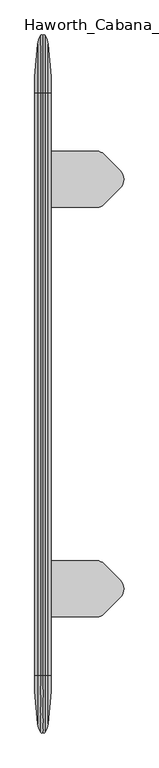
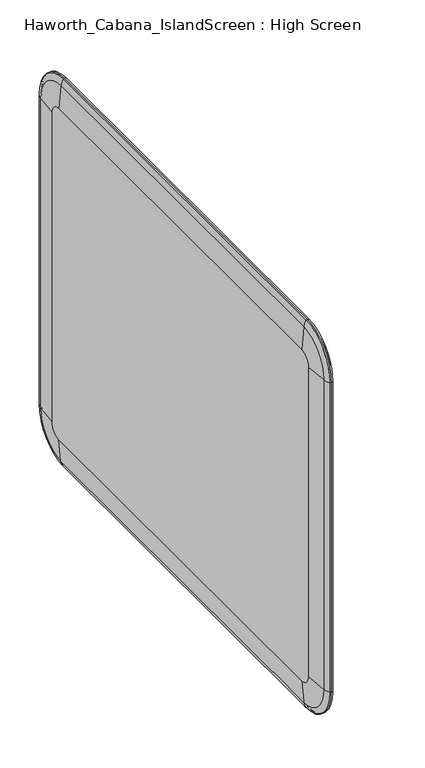
"""IFC4 building model written with IfcOpenShell, lengths in millimetres: furniture geometry, Haworth_Cabana_IslandScreen : High Screen."""

from ifc_helpers import new_model, si_unit, point, frame, frame_2d, origin, place, context, project, spatial, polyline, circle_curve, ellipse_curve, trimmed, segment, composite_curve, outline, extrude, source, transform, mapped, element, save
from ifc_brep_helpers import plane_surface, cylinder_surface, revolved_surface, advanced_brep


def haworth_cabana_islandscreen_high_screen_97b35205(model_context):
    return source(origin(), model_context, "Body", "SolidModel", [
        extrude(outline(composite_curve([segment(polyline([(406.3007813, 779.0924527), (406.3007813, 889.0924245), (512.8600267, 889.0924245)]), True, "CONTINUOUS"), segment(trimmed(circle_curve(frame_2d((512.8600267, 870.0424245)), 19.05), [point((512.8600267, 889.0924245))], [point((526.3304183, 883.5128013))], False, "CARTESIAN"), True, "CONTINUOUS"), segment(polyline([(526.3304183, 883.5128013), (558.9128097, 850.9303744)]), True, "CONTINUOUS"), segment(trimmed(circle_curve(frame_2d((542.0748202, 834.0924033)), 23.8125), [point((558.9128097, 850.9303744))], [point((558.9127913, 817.2544139))], False, "CARTESIAN"), True, "CONTINUOUS"), segment(polyline([(558.9127913, 817.2544139), (526.330403, 784.6720612)]), True, "CONTINUOUS"), segment(trimmed(circle_curve(frame_2d((512.8600261, 798.1424527)), 19.05), [point((526.330403, 784.6720612))], [point((512.8600261, 779.0924527))], False, "CARTESIAN"), True, "CONTINUOUS"), segment(polyline([(512.8600261, 779.0924527), (406.3007813, 779.0924527)]), True, "CONTINUOUS")], self_intersect=False)), frame((0.0, 0.0, 247.6767607), z_axis=(0.0, 0.0, 1.0), x_axis=(1.0, 0.0, 0.0)), (0.0, 0.0, 1.0), 4.5499948),
        extrude(outline(composite_curve([segment(polyline([(406.3007813, 84.5075473), (512.8600261, 84.5075473)]), True, "CONTINUOUS"), segment(trimmed(circle_curve(frame_2d((512.8600261, 65.4575473)), 19.05), [point((512.8600261, 84.5075473))], [point((526.330403, 78.9279388))], False, "CARTESIAN"), True, "CONTINUOUS"), segment(polyline([(526.330403, 78.9279388), (558.9127913, 46.3455861)]), True, "CONTINUOUS"), segment(trimmed(circle_curve(frame_2d((542.0748202, 29.5075967)), 23.8125), [point((558.9127913, 46.3455861))], [point((558.9128097, 12.6696256))], False, "CARTESIAN"), True, "CONTINUOUS"), segment(polyline([(558.9128097, 12.6696256), (526.3304183, -19.9128013)]), True, "CONTINUOUS"), segment(trimmed(circle_curve(frame_2d((512.8600267, -6.4424245)), 19.05), [point((526.3304183, -19.9128013))], [point((512.8600267, -25.4924245))], False, "CARTESIAN"), True, "CONTINUOUS"), segment(polyline([(512.8600267, -25.4924245), (406.3007813, -25.4924245), (406.3007813, 84.5075473)]), True, "CONTINUOUS")], self_intersect=False)), frame((0.0, 0.0, 247.6767607), z_axis=(0.0, 0.0, 1.0), x_axis=(1.0, 0.0, 0.0)), (0.0, 0.0, 1.0), 4.5499948),
        advanced_brep(
        [(422.2032436, -140.49375, 321.8309887), (422.2032436, 1004.09375, 321.8309887), (422.2032436, 1035.4815113, 353.21875), (422.2032436, 1035.4815113, 1243.80625), (422.2032436, 1004.09375, 1275.1940113), (422.2032436, -140.49375, 1275.1940113), (422.2032436, -171.8815113, 1243.80625), (422.2032436, -171.8815113, 353.21875), (390.3983189, 1004.09375, 321.8309887), (390.3983189, -140.49375, 321.8309887), (390.3983189, -171.8815113, 353.21875), (390.3983189, -171.8815113, 1243.80625), (390.3983189, -140.49375, 1275.1940113), (390.3983189, 1004.09375, 1275.1940113), (390.3983189, 1035.4815113, 1243.80625), (390.3983189, 1035.4815113, 353.21875), (395.8208236, -140.49375, 258.0828687), (395.8208236, 1004.09375, 258.0828687), (402.2147454, 1004.09375, 240.8241155), (402.2147454, -140.49375, 240.8241155), (406.3007813, 1004.09375, 241.205612), (406.3007813, -140.49375, 241.205612), (410.3868171, 1004.09375, 240.8241156), (410.3868171, -140.49375, 240.8241156), (416.7807379, 1004.09375, 258.0828662), (416.7807379, -140.49375, 258.0828662), (395.8208236, -235.6296313, 1243.80625), (395.8208236, -235.6296313, 353.21875), (402.2147454, -252.8883845, 353.21875), (402.2147454, -252.8883845, 1243.80625), (406.3007813, -252.506888, 353.21875), (406.3007813, -252.506888, 1243.80625), (410.3868171, -252.8883844, 353.21875), (410.3868171, -252.8883844, 1243.80625), (416.7807379, -235.6296338, 353.21875), (416.7807379, -235.6296338, 1243.80625), (395.8208236, 1099.2296313, 353.21875), (402.2147454, 1116.4883845, 353.21875), (406.3007813, 1116.106888, 353.21875), (410.3868171, 1116.4883844, 353.21875), (416.7807379, 1099.2296338, 353.21875), (395.8208236, 1099.2296313, 1243.80625), (402.2147454, 1116.4883845, 1243.80625), (406.3007813, 1116.106888, 1243.80625), (410.3868171, 1116.4883844, 1243.80625), (416.7807379, 1099.2296338, 1243.80625), (395.8208236, 1004.09375, 1338.9421313), (402.2147454, 1004.09375, 1356.2008845), (406.3007813, 1004.09375, 1355.819388), (410.3868171, 1004.09375, 1356.2008844), (416.7807379, 1004.09375, 1338.9421338), (395.8208236, -140.49375, 1338.9421313), (402.2147454, -140.49375, 1356.2008845), (406.3007813, -140.49375, 1355.819388), (410.3868171, -140.49375, 1356.2008844), (416.7807379, -140.49375, 1338.9421338)],
        [
            (0, 1),
            (1, 2, circle_curve(frame((422.2032436, 1004.09375, 353.21875), z_axis=(1.0, 0.0, 0.0), x_axis=(0.0, 0.0, -1.0)), 31.3877613)),
            (2, 3),
            (3, 4, circle_curve(frame((422.2032436, 1004.09375, 1243.80625), z_axis=(1.0, 0.0, 0.0), x_axis=(0.0, 1.0, 0.0)), 31.3877613)),
            (4, 5),
            (5, 6, circle_curve(frame((422.2032436, -140.49375, 1243.80625), z_axis=(1.0, 0.0, 0.0), x_axis=(0.0, 0.0, 1.0)), 31.3877613)),
            (6, 7),
            (7, 0, circle_curve(frame((422.2032436, -140.49375, 353.21875), z_axis=(1.0, 0.0, 0.0), x_axis=(0.0, -1.0, 0.0)), 31.3877613)),
            (8, 9),
            (9, 10, circle_curve(frame((390.3983189, -140.49375, 353.21875), z_axis=(-1.0, 0.0, 0.0), x_axis=(0.0, -1.0, 0.0)), 31.3877613)),
            (10, 11),
            (11, 12, circle_curve(frame((390.3983189, -140.49375, 1243.80625), z_axis=(-1.0, 0.0, 0.0), x_axis=(0.0, 0.0, 1.0)), 31.3877613)),
            (12, 13),
            (13, 14, circle_curve(frame((390.3983189, 1004.09375, 1243.80625), z_axis=(-1.0, 0.0, 0.0), x_axis=(0.0, 1.0, 0.0)), 31.3877613)),
            (14, 15),
            (15, 8, circle_curve(frame((390.3983189, 1004.09375, 353.21875), z_axis=(-1.0, 0.0, 0.0), x_axis=(0.0, 0.0, -1.0)), 31.3877613)),
            (16, 9, circle_curve(frame((767.8278137, -140.49375, 321.8309887), z_axis=(0.0, 1.0, 0.0), x_axis=(1.0, 0.0, 0.0)), 377.4294948)),
            (8, 17, circle_curve(frame((767.8278137, 1004.09375, 321.8309887), z_axis=(0.0, -1.0, 0.0), x_axis=(1.0, 0.0, 0.0)), 377.4294948)),
            (17, 16),
            (17, 18, circle_curve(frame((445.1086371, 1004.09375, 266.5289612), z_axis=(0.0, -1.0, 0.0), x_axis=(1.0, 0.0, 0.0)), 50.00625)),
            (18, 19),
            (19, 16, circle_curve(frame((445.1086371, -140.49375, 266.5289612), z_axis=(0.0, 1.0, 0.0), x_axis=(1.0, 0.0, 0.0)), 50.00625)),
            (18, 20, circle_curve(frame((404.1663769, 1004.09375, 241.9936617), z_axis=(0.0, -1.0, 0.0), x_axis=(1.0, 0.0, 0.0)), 2.2752371)),
            (20, 21),
            (21, 19, circle_curve(frame((404.1663769, -140.49375, 241.9936617), z_axis=(0.0, 1.0, 0.0), x_axis=(1.0, 0.0, 0.0)), 2.2752371)),
            (20, 22, circle_curve(frame((408.4351856, 1004.09375, 241.9936617), z_axis=(0.0, -1.0, 0.0), x_axis=(1.0, 0.0, 0.0)), 2.2752371)),
            (22, 23),
            (23, 21, circle_curve(frame((408.4351856, -140.49375, 241.9936617), z_axis=(0.0, 1.0, 0.0), x_axis=(1.0, 0.0, 0.0)), 2.2752371)),
            (22, 24, circle_curve(frame((367.4929246, 1004.09375, 266.5289599), z_axis=(0.0, -1.0, 0.0), x_axis=(1.0, 0.0, 0.0)), 50.00625)),
            (24, 25),
            (25, 23, circle_curve(frame((367.4929246, -140.49375, 266.5289599), z_axis=(0.0, 1.0, 0.0), x_axis=(1.0, 0.0, 0.0)), 50.00625)),
            (24, 1, circle_curve(frame((44.7737879, 1004.09375, 321.8309887), z_axis=(0.0, -1.0, 0.0), x_axis=(1.0, 0.0, 0.0)), 377.4294557)),
            (0, 25, circle_curve(frame((44.7737879, -140.49375, 321.8309887), z_axis=(0.0, 1.0, 0.0), x_axis=(1.0, 0.0, 0.0)), 377.4294557)),
            (26, 11, circle_curve(frame((767.8278137, -171.8815113, 1243.80625), z_axis=(0.0, 0.0, -1.0), x_axis=(1.0, 0.0, 0.0)), 377.4294948)),
            (10, 27, circle_curve(frame((767.8278137, -171.8815113, 353.21875), z_axis=(0.0, 0.0, 1.0), x_axis=(1.0, 0.0, 0.0)), 377.4294948)),
            (27, 26),
            (27, 28, circle_curve(frame((445.1086371, -227.1835388, 353.21875), z_axis=(0.0, 0.0, 1.0), x_axis=(1.0, 0.0, 0.0)), 50.00625)),
            (28, 29),
            (29, 26, circle_curve(frame((445.1086371, -227.1835388, 1243.80625), z_axis=(0.0, 0.0, -1.0), x_axis=(1.0, 0.0, 0.0)), 50.00625)),
            (28, 30, circle_curve(frame((404.1663769, -251.7188383, 353.21875), z_axis=(0.0, 0.0, 1.0), x_axis=(1.0, 0.0, 0.0)), 2.2752371)),
            (30, 31),
            (31, 29, circle_curve(frame((404.1663769, -251.7188383, 1243.80625), z_axis=(0.0, 0.0, -1.0), x_axis=(1.0, 0.0, 0.0)), 2.2752371)),
            (30, 32, circle_curve(frame((408.4351856, -251.7188383, 353.21875), z_axis=(0.0, 0.0, 1.0), x_axis=(1.0, 0.0, 0.0)), 2.2752371)),
            (32, 33),
            (33, 31, circle_curve(frame((408.4351856, -251.7188383, 1243.80625), z_axis=(0.0, 0.0, -1.0), x_axis=(1.0, 0.0, 0.0)), 2.2752371)),
            (32, 34, circle_curve(frame((367.4929246, -227.1835401, 353.21875), z_axis=(0.0, 0.0, 1.0), x_axis=(1.0, 0.0, 0.0)), 50.00625)),
            (34, 35),
            (35, 33, circle_curve(frame((367.4929246, -227.1835401, 1243.80625), z_axis=(0.0, 0.0, -1.0), x_axis=(1.0, 0.0, 0.0)), 50.00625)),
            (34, 7, circle_curve(frame((44.7737879, -171.8815113, 353.21875), z_axis=(0.0, 0.0, 1.0), x_axis=(1.0, 0.0, 0.0)), 377.4294557)),
            (6, 35, circle_curve(frame((44.7737879, -171.8815113, 1243.80625), z_axis=(0.0, 0.0, -1.0), x_axis=(1.0, 0.0, 0.0)), 377.4294557)),
            (16, 27, circle_curve(frame((395.8208236, -140.49375, 353.21875), z_axis=(-1.0, 0.0, 0.0), x_axis=(0.0, -1.0, 0.0)), 95.1358813)),
            (19, 28, circle_curve(frame((402.2147454, -140.49375, 353.21875), z_axis=(-1.0, 0.0, 0.0), x_axis=(0.0, -1.0, 0.0)), 112.3946345)),
            (21, 30, circle_curve(frame((406.3007813, -140.49375, 353.21875), z_axis=(-1.0, 0.0, 0.0), x_axis=(0.0, -1.0, 0.0)), 112.013138)),
            (23, 32, circle_curve(frame((410.3868171, -140.49375, 353.21875), z_axis=(-1.0, 0.0, 0.0), x_axis=(0.0, -1.0, 0.0)), 112.3946344)),
            (25, 34, circle_curve(frame((416.7807379, -140.49375, 353.21875), z_axis=(-1.0, 0.0, 0.0), x_axis=(0.0, -1.0, 0.0)), 95.1358838)),
            (15, 36, circle_curve(frame((767.8278137, 1035.4815113, 353.21875), z_axis=(0.0, 0.0, -1.0), x_axis=(1.0, 0.0, 0.0)), 377.4294948)),
            (36, 17, circle_curve(frame((395.8208236, 1004.09375, 353.21875), z_axis=(-1.0, 0.0, 0.0), x_axis=(0.0, 0.0, -1.0)), 95.1358813)),
            (36, 37, circle_curve(frame((445.1086371, 1090.7835388, 353.21875), z_axis=(0.0, 0.0, -1.0), x_axis=(1.0, 0.0, 0.0)), 50.00625)),
            (37, 18, circle_curve(frame((402.2147454, 1004.09375, 353.21875), z_axis=(-1.0, 0.0, 0.0), x_axis=(0.0, 0.0, -1.0)), 112.3946345)),
            (37, 38, circle_curve(frame((404.1663769, 1115.3188383, 353.21875), z_axis=(0.0, 0.0, -1.0), x_axis=(1.0, 0.0, 0.0)), 2.2752371)),
            (38, 20, circle_curve(frame((406.3007813, 1004.09375, 353.21875), z_axis=(-1.0, 0.0, 0.0), x_axis=(0.0, 0.0, -1.0)), 112.013138)),
            (38, 39, circle_curve(frame((408.4351856, 1115.3188383, 353.21875), z_axis=(0.0, 0.0, -1.0), x_axis=(1.0, 0.0, 0.0)), 2.2752371)),
            (39, 22, circle_curve(frame((410.3868171, 1004.09375, 353.21875), z_axis=(-1.0, 0.0, 0.0), x_axis=(0.0, 0.0, -1.0)), 112.3946344)),
            (39, 40, circle_curve(frame((367.4929246, 1090.7835401, 353.21875), z_axis=(0.0, 0.0, -1.0), x_axis=(1.0, 0.0, 0.0)), 50.00625)),
            (40, 24, circle_curve(frame((416.7807379, 1004.09375, 353.21875), z_axis=(-1.0, 0.0, 0.0), x_axis=(0.0, 0.0, -1.0)), 95.1358838)),
            (40, 2, circle_curve(frame((44.7737879, 1035.4815113, 353.21875), z_axis=(0.0, 0.0, -1.0), x_axis=(1.0, 0.0, 0.0)), 377.4294557)),
            (14, 41, circle_curve(frame((767.8278137, 1035.4815113, 1243.80625), z_axis=(0.0, 0.0, -1.0), x_axis=(1.0, 0.0, 0.0)), 377.4294948)),
            (41, 36),
            (41, 42, circle_curve(frame((445.1086371, 1090.7835388, 1243.80625), z_axis=(0.0, 0.0, -1.0), x_axis=(1.0, 0.0, 0.0)), 50.00625)),
            (42, 37),
            (42, 43, circle_curve(frame((404.1663769, 1115.3188383, 1243.80625), z_axis=(0.0, 0.0, -1.0), x_axis=(1.0, 0.0, 0.0)), 2.2752371)),
            (43, 38),
            (43, 44, circle_curve(frame((408.4351856, 1115.3188383, 1243.80625), z_axis=(0.0, 0.0, -1.0), x_axis=(1.0, 0.0, 0.0)), 2.2752371)),
            (44, 39),
            (44, 45, circle_curve(frame((367.4929246, 1090.7835401, 1243.80625), z_axis=(0.0, 0.0, -1.0), x_axis=(1.0, 0.0, 0.0)), 50.00625)),
            (45, 40),
            (45, 3, circle_curve(frame((44.7737879, 1035.4815113, 1243.80625), z_axis=(0.0, 0.0, -1.0), x_axis=(1.0, 0.0, 0.0)), 377.4294557)),
            (13, 46, circle_curve(frame((767.8278137, 1004.09375, 1275.1940113), z_axis=(0.0, 1.0, 0.0), x_axis=(1.0, 0.0, 0.0)), 377.4294948)),
            (46, 41, circle_curve(frame((395.8208236, 1004.09375, 1243.80625), z_axis=(-1.0, 0.0, 0.0), x_axis=(0.0, 1.0, 0.0)), 95.1358813)),
            (46, 47, circle_curve(frame((445.1086371, 1004.09375, 1330.4960388), z_axis=(0.0, 1.0, 0.0), x_axis=(1.0, 0.0, 0.0)), 50.00625)),
            (47, 42, circle_curve(frame((402.2147454, 1004.09375, 1243.80625), z_axis=(-1.0, 0.0, 0.0), x_axis=(0.0, 1.0, 0.0)), 112.3946345)),
            (47, 48, circle_curve(frame((404.1663769, 1004.09375, 1355.0313383), z_axis=(0.0, 1.0, 0.0), x_axis=(1.0, 0.0, 0.0)), 2.2752371)),
            (48, 43, circle_curve(frame((406.3007813, 1004.09375, 1243.80625), z_axis=(-1.0, 0.0, 0.0), x_axis=(0.0, 1.0, 0.0)), 112.013138)),
            (48, 49, circle_curve(frame((408.4351856, 1004.09375, 1355.0313383), z_axis=(0.0, 1.0, 0.0), x_axis=(1.0, 0.0, 0.0)), 2.2752371)),
            (49, 44, circle_curve(frame((410.3868171, 1004.09375, 1243.80625), z_axis=(-1.0, 0.0, 0.0), x_axis=(0.0, 1.0, 0.0)), 112.3946344)),
            (49, 50, circle_curve(frame((367.4929246, 1004.09375, 1330.4960401), z_axis=(0.0, 1.0, 0.0), x_axis=(1.0, 0.0, 0.0)), 50.00625)),
            (50, 45, circle_curve(frame((416.7807379, 1004.09375, 1243.80625), z_axis=(-1.0, 0.0, 0.0), x_axis=(0.0, 1.0, 0.0)), 95.1358838)),
            (50, 4, circle_curve(frame((44.7737879, 1004.09375, 1275.1940113), z_axis=(0.0, 1.0, 0.0), x_axis=(1.0, 0.0, 0.0)), 377.4294557)),
            (12, 51, circle_curve(frame((767.8278137, -140.49375, 1275.1940113), z_axis=(0.0, 1.0, 0.0), x_axis=(1.0, 0.0, 0.0)), 377.4294948)),
            (51, 46),
            (51, 52, circle_curve(frame((445.1086371, -140.49375, 1330.4960388), z_axis=(0.0, 1.0, 0.0), x_axis=(1.0, 0.0, 0.0)), 50.00625)),
            (52, 47),
            (52, 53, circle_curve(frame((404.1663769, -140.49375, 1355.0313383), z_axis=(0.0, 1.0, 0.0), x_axis=(1.0, 0.0, 0.0)), 2.2752371)),
            (53, 48),
            (53, 54, circle_curve(frame((408.4351856, -140.49375, 1355.0313383), z_axis=(0.0, 1.0, 0.0), x_axis=(1.0, 0.0, 0.0)), 2.2752371)),
            (54, 49),
            (54, 55, circle_curve(frame((367.4929246, -140.49375, 1330.4960401), z_axis=(0.0, 1.0, 0.0), x_axis=(1.0, 0.0, 0.0)), 50.00625)),
            (55, 50),
            (55, 5, circle_curve(frame((44.7737879, -140.49375, 1275.1940113), z_axis=(0.0, 1.0, 0.0), x_axis=(1.0, 0.0, 0.0)), 377.4294557)),
            (26, 51, circle_curve(frame((395.8208236, -140.49375, 1243.80625), z_axis=(-1.0, 0.0, 0.0), x_axis=(0.0, 0.0, 1.0)), 95.1358813)),
            (29, 52, circle_curve(frame((402.2147454, -140.49375, 1243.80625), z_axis=(-1.0, 0.0, 0.0), x_axis=(0.0, 0.0, 1.0)), 112.3946345)),
            (31, 53, circle_curve(frame((406.3007813, -140.49375, 1243.80625), z_axis=(-1.0, 0.0, 0.0), x_axis=(0.0, 0.0, 1.0)), 112.013138)),
            (33, 54, circle_curve(frame((410.3868171, -140.49375, 1243.80625), z_axis=(-1.0, 0.0, 0.0), x_axis=(0.0, 0.0, 1.0)), 112.3946344)),
            (35, 55, circle_curve(frame((416.7807379, -140.49375, 1243.80625), z_axis=(-1.0, 0.0, 0.0), x_axis=(0.0, 0.0, 1.0)), 95.1358838)),
        ],
        [
            plane_surface(frame((422.2032436, 1029.49375, 353.21875), z_axis=(1.0, 0.0, 0.0), x_axis=(0.0, 0.0, 1.0))),
            plane_surface(frame((390.3983189, 1029.49375, 353.21875), z_axis=(-1.0, 0.0, 0.0), x_axis=(0.0, 0.0, -1.0))),
            cylinder_surface(frame((767.8278137, -140.49375, 321.8309887), z_axis=(0.0, -1.0, 0.0), x_axis=(1.0, 0.0, 0.0)), 377.4294948),
            cylinder_surface(frame((445.1086371, -140.49375, 266.5289612), z_axis=(0.0, -1.0, 0.0), x_axis=(1.0, 0.0, 0.0)), 50.00625),
            cylinder_surface(frame((404.1663769, -140.49375, 241.9936617), z_axis=(0.0, -1.0, 0.0), x_axis=(1.0, 0.0, 0.0)), 2.2752371),
            cylinder_surface(frame((408.4351856, -140.49375, 241.9936617), z_axis=(0.0, -1.0, 0.0), x_axis=(1.0, 0.0, 0.0)), 2.2752371),
            cylinder_surface(frame((367.4929246, -140.49375, 266.5289599), z_axis=(0.0, -1.0, 0.0), x_axis=(1.0, 0.0, 0.0)), 50.00625),
            cylinder_surface(frame((44.7737879, -140.49375, 321.8309887), z_axis=(0.0, -1.0, 0.0), x_axis=(1.0, 0.0, 0.0)), 377.4294557),
            cylinder_surface(frame((767.8278137, -171.8815113, 1243.80625), z_axis=(0.0, 0.0, 1.0), x_axis=(1.0, 0.0, 0.0)), 377.4294948),
            cylinder_surface(frame((445.1086371, -227.1835388, 1243.80625), z_axis=(0.0, 0.0, 1.0), x_axis=(1.0, 0.0, 0.0)), 50.00625),
            cylinder_surface(frame((404.1663769, -251.7188383, 1243.80625), z_axis=(0.0, 0.0, 1.0), x_axis=(1.0, 0.0, 0.0)), 2.2752371),
            cylinder_surface(frame((408.4351856, -251.7188383, 1243.80625), z_axis=(0.0, 0.0, 1.0), x_axis=(1.0, 0.0, 0.0)), 2.2752371),
            cylinder_surface(frame((367.4929246, -227.1835401, 1243.80625), z_axis=(0.0, 0.0, 1.0), x_axis=(1.0, 0.0, 0.0)), 50.00625),
            cylinder_surface(frame((44.7737879, -171.8815113, 1243.80625), z_axis=(0.0, 0.0, 1.0), x_axis=(1.0, 0.0, 0.0)), 377.4294557),
            revolved_surface(trimmed(ellipse_curve(frame((767.8278137, -171.8815113, 353.21875), z_axis=(0.0, 0.0, 1.0), x_axis=(1.0, 0.0, 0.0)), 377.4294948, 377.4294948), [point((390.3983189, -171.8815113, 353.21875))], [point((395.8208236, -235.6296313, 353.21875))], True, "CARTESIAN"), (422.2032436, -140.49375, 353.21875), (1.0, 0.0, 0.0)),
            revolved_surface(trimmed(ellipse_curve(frame((445.1086371, -227.1835388, 353.21875), z_axis=(0.0, 0.0, 1.0), x_axis=(1.0, 0.0, 0.0)), 50.00625, 50.00625), [point((395.8208236, -235.6296313, 353.21875))], [point((402.2147454, -252.8883845, 353.21875))], True, "CARTESIAN"), (422.2032436, -140.49375, 353.21875), (1.0, 0.0, 0.0)),
            revolved_surface(trimmed(ellipse_curve(frame((404.1663769, -251.7188383, 353.21875), z_axis=(0.0, 0.0, 1.0), x_axis=(1.0, 0.0, 0.0)), 2.2752371, 2.2752371), [point((402.2147454, -252.8883845, 353.21875))], [point((406.3007813, -252.506888, 353.21875))], True, "CARTESIAN"), (422.2032436, -140.49375, 353.21875), (1.0, 0.0, 0.0)),
            revolved_surface(trimmed(ellipse_curve(frame((408.4351856, -251.7188383, 353.21875), z_axis=(0.0, 0.0, 1.0), x_axis=(1.0, 0.0, 0.0)), 2.2752371, 2.2752371), [point((406.3007813, -252.506888, 353.21875))], [point((410.3868171, -252.8883844, 353.21875))], True, "CARTESIAN"), (422.2032436, -140.49375, 353.21875), (1.0, 0.0, 0.0)),
            revolved_surface(trimmed(ellipse_curve(frame((367.4929246, -227.1835401, 353.21875), z_axis=(0.0, 0.0, 1.0), x_axis=(1.0, 0.0, 0.0)), 50.00625, 50.00625), [point((410.3868171, -252.8883844, 353.21875))], [point((416.7807379, -235.6296338, 353.21875))], True, "CARTESIAN"), (422.2032436, -140.49375, 353.21875), (1.0, 0.0, 0.0)),
            revolved_surface(trimmed(ellipse_curve(frame((44.7737879, -171.8815113, 353.21875), z_axis=(0.0, 0.0, 1.0), x_axis=(1.0, 0.0, 0.0)), 377.4294557, 377.4294557), [point((416.7807379, -235.6296338, 353.21875))], [point((422.2032436, -171.8815113, 353.21875))], True, "CARTESIAN"), (422.2032436, -140.49375, 353.21875), (1.0, 0.0, 0.0)),
            revolved_surface(trimmed(ellipse_curve(frame((767.8278137, 1004.09375, 321.8309887), z_axis=(0.0, -1.0, 0.0), x_axis=(1.0, 0.0, 0.0)), 377.4294948, 377.4294948), [point((390.3983189, 1004.09375, 321.8309887))], [point((395.8208236, 1004.09375, 258.0828687))], True, "CARTESIAN"), (422.2032436, 1004.09375, 353.21875), (1.0, 0.0, 0.0)),
            revolved_surface(trimmed(ellipse_curve(frame((445.1086371, 1004.09375, 266.5289612), z_axis=(0.0, -1.0, 0.0), x_axis=(1.0, 0.0, 0.0)), 50.00625, 50.00625), [point((395.8208236, 1004.09375, 258.0828687))], [point((402.2147454, 1004.09375, 240.8241155))], True, "CARTESIAN"), (422.2032436, 1004.09375, 353.21875), (1.0, 0.0, 0.0)),
            revolved_surface(trimmed(ellipse_curve(frame((404.1663769, 1004.09375, 241.9936617), z_axis=(0.0, -1.0, 0.0), x_axis=(1.0, 0.0, 0.0)), 2.2752371, 2.2752371), [point((402.2147454, 1004.09375, 240.8241155))], [point((406.3007813, 1004.09375, 241.205612))], True, "CARTESIAN"), (422.2032436, 1004.09375, 353.21875), (1.0, 0.0, 0.0)),
            revolved_surface(trimmed(ellipse_curve(frame((408.4351856, 1004.09375, 241.9936617), z_axis=(0.0, -1.0, 0.0), x_axis=(1.0, 0.0, 0.0)), 2.2752371, 2.2752371), [point((406.3007813, 1004.09375, 241.205612))], [point((410.3868171, 1004.09375, 240.8241156))], True, "CARTESIAN"), (422.2032436, 1004.09375, 353.21875), (1.0, 0.0, 0.0)),
            revolved_surface(trimmed(ellipse_curve(frame((367.4929246, 1004.09375, 266.5289599), z_axis=(0.0, -1.0, 0.0), x_axis=(1.0, 0.0, 0.0)), 50.00625, 50.00625), [point((410.3868171, 1004.09375, 240.8241156))], [point((416.7807379, 1004.09375, 258.0828662))], True, "CARTESIAN"), (422.2032436, 1004.09375, 353.21875), (1.0, 0.0, 0.0)),
            revolved_surface(trimmed(ellipse_curve(frame((44.7737879, 1004.09375, 321.8309887), z_axis=(0.0, -1.0, 0.0), x_axis=(1.0, 0.0, 0.0)), 377.4294557, 377.4294557), [point((416.7807379, 1004.09375, 258.0828662))], [point((422.2032436, 1004.09375, 321.8309887))], True, "CARTESIAN"), (422.2032436, 1004.09375, 353.21875), (1.0, 0.0, 0.0)),
            cylinder_surface(frame((767.8278137, 1035.4815113, 353.21875), z_axis=(0.0, 0.0, -1.0), x_axis=(1.0, 0.0, 0.0)), 377.4294948),
            cylinder_surface(frame((445.1086371, 1090.7835388, 353.21875), z_axis=(0.0, 0.0, -1.0), x_axis=(1.0, 0.0, 0.0)), 50.00625),
            cylinder_surface(frame((404.1663769, 1115.3188383, 353.21875), z_axis=(0.0, 0.0, -1.0), x_axis=(1.0, 0.0, 0.0)), 2.2752371),
            cylinder_surface(frame((408.4351856, 1115.3188383, 353.21875), z_axis=(0.0, 0.0, -1.0), x_axis=(1.0, 0.0, 0.0)), 2.2752371),
            cylinder_surface(frame((367.4929246, 1090.7835401, 353.21875), z_axis=(0.0, 0.0, -1.0), x_axis=(1.0, 0.0, 0.0)), 50.00625),
            cylinder_surface(frame((44.7737879, 1035.4815113, 353.21875), z_axis=(0.0, 0.0, -1.0), x_axis=(1.0, 0.0, 0.0)), 377.4294557),
            revolved_surface(trimmed(ellipse_curve(frame((767.8278137, 1035.4815113, 1243.80625), z_axis=(0.0, 0.0, -1.0), x_axis=(1.0, 0.0, 0.0)), 377.4294948, 377.4294948), [point((390.3983189, 1035.4815113, 1243.80625))], [point((395.8208236, 1099.2296313, 1243.80625))], True, "CARTESIAN"), (422.2032436, 1004.09375, 1243.80625), (1.0, 0.0, 0.0)),
            revolved_surface(trimmed(ellipse_curve(frame((445.1086371, 1090.7835388, 1243.80625), z_axis=(0.0, 0.0, -1.0), x_axis=(1.0, 0.0, 0.0)), 50.00625, 50.00625), [point((395.8208236, 1099.2296313, 1243.80625))], [point((402.2147454, 1116.4883845, 1243.80625))], True, "CARTESIAN"), (422.2032436, 1004.09375, 1243.80625), (1.0, 0.0, 0.0)),
            revolved_surface(trimmed(ellipse_curve(frame((404.1663769, 1115.3188383, 1243.80625), z_axis=(0.0, 0.0, -1.0), x_axis=(1.0, 0.0, 0.0)), 2.2752371, 2.2752371), [point((402.2147454, 1116.4883845, 1243.80625))], [point((406.3007813, 1116.106888, 1243.80625))], True, "CARTESIAN"), (422.2032436, 1004.09375, 1243.80625), (1.0, 0.0, 0.0)),
            revolved_surface(trimmed(ellipse_curve(frame((408.4351856, 1115.3188383, 1243.80625), z_axis=(0.0, 0.0, -1.0), x_axis=(1.0, 0.0, 0.0)), 2.2752371, 2.2752371), [point((406.3007813, 1116.106888, 1243.80625))], [point((410.3868171, 1116.4883844, 1243.80625))], True, "CARTESIAN"), (422.2032436, 1004.09375, 1243.80625), (1.0, 0.0, 0.0)),
            revolved_surface(trimmed(ellipse_curve(frame((367.4929246, 1090.7835401, 1243.80625), z_axis=(0.0, 0.0, -1.0), x_axis=(1.0, 0.0, 0.0)), 50.00625, 50.00625), [point((410.3868171, 1116.4883844, 1243.80625))], [point((416.7807379, 1099.2296338, 1243.80625))], True, "CARTESIAN"), (422.2032436, 1004.09375, 1243.80625), (1.0, 0.0, 0.0)),
            revolved_surface(trimmed(ellipse_curve(frame((44.7737879, 1035.4815113, 1243.80625), z_axis=(0.0, 0.0, -1.0), x_axis=(1.0, 0.0, 0.0)), 377.4294557, 377.4294557), [point((416.7807379, 1099.2296338, 1243.80625))], [point((422.2032436, 1035.4815113, 1243.80625))], True, "CARTESIAN"), (422.2032436, 1004.09375, 1243.80625), (1.0, 0.0, 0.0)),
            cylinder_surface(frame((767.8278137, 1004.09375, 1275.1940113), z_axis=(0.0, 1.0, 0.0), x_axis=(1.0, 0.0, 0.0)), 377.4294948),
            cylinder_surface(frame((445.1086371, 1004.09375, 1330.4960388), z_axis=(0.0, 1.0, 0.0), x_axis=(1.0, 0.0, 0.0)), 50.00625),
            cylinder_surface(frame((404.1663769, 1004.09375, 1355.0313383), z_axis=(0.0, 1.0, 0.0), x_axis=(1.0, 0.0, 0.0)), 2.2752371),
            cylinder_surface(frame((408.4351856, 1004.09375, 1355.0313383), z_axis=(0.0, 1.0, 0.0), x_axis=(1.0, 0.0, 0.0)), 2.2752371),
            cylinder_surface(frame((367.4929246, 1004.09375, 1330.4960401), z_axis=(0.0, 1.0, 0.0), x_axis=(1.0, 0.0, 0.0)), 50.00625),
            cylinder_surface(frame((44.7737879, 1004.09375, 1275.1940113), z_axis=(0.0, 1.0, 0.0), x_axis=(1.0, 0.0, 0.0)), 377.4294557),
            revolved_surface(trimmed(ellipse_curve(frame((767.8278137, -140.49375, 1275.1940113), z_axis=(0.0, 1.0, 0.0), x_axis=(1.0, 0.0, 0.0)), 377.4294948, 377.4294948), [point((390.3983189, -140.49375, 1275.1940113))], [point((395.8208236, -140.49375, 1338.9421313))], True, "CARTESIAN"), (422.2032436, -140.49375, 1243.80625), (1.0, 0.0, 0.0)),
            revolved_surface(trimmed(ellipse_curve(frame((445.1086371, -140.49375, 1330.4960388), z_axis=(0.0, 1.0, 0.0), x_axis=(1.0, 0.0, 0.0)), 50.00625, 50.00625), [point((395.8208236, -140.49375, 1338.9421313))], [point((402.2147454, -140.49375, 1356.2008845))], True, "CARTESIAN"), (422.2032436, -140.49375, 1243.80625), (1.0, 0.0, 0.0)),
            revolved_surface(trimmed(ellipse_curve(frame((404.1663769, -140.49375, 1355.0313383), z_axis=(0.0, 1.0, 0.0), x_axis=(1.0, 0.0, 0.0)), 2.2752371, 2.2752371), [point((402.2147454, -140.49375, 1356.2008845))], [point((406.3007813, -140.49375, 1355.819388))], True, "CARTESIAN"), (422.2032436, -140.49375, 1243.80625), (1.0, 0.0, 0.0)),
            revolved_surface(trimmed(ellipse_curve(frame((408.4351856, -140.49375, 1355.0313383), z_axis=(0.0, 1.0, 0.0), x_axis=(1.0, 0.0, 0.0)), 2.2752371, 2.2752371), [point((406.3007813, -140.49375, 1355.819388))], [point((410.3868171, -140.49375, 1356.2008844))], True, "CARTESIAN"), (422.2032436, -140.49375, 1243.80625), (1.0, 0.0, 0.0)),
            revolved_surface(trimmed(ellipse_curve(frame((367.4929246, -140.49375, 1330.4960401), z_axis=(0.0, 1.0, 0.0), x_axis=(1.0, 0.0, 0.0)), 50.00625, 50.00625), [point((410.3868171, -140.49375, 1356.2008844))], [point((416.7807379, -140.49375, 1338.9421338))], True, "CARTESIAN"), (422.2032436, -140.49375, 1243.80625), (1.0, 0.0, 0.0)),
            revolved_surface(trimmed(ellipse_curve(frame((44.7737879, -140.49375, 1275.1940113), z_axis=(0.0, 1.0, 0.0), x_axis=(1.0, 0.0, 0.0)), 377.4294557, 377.4294557), [point((416.7807379, -140.49375, 1338.9421338))], [point((422.2032436, -140.49375, 1275.1940113))], True, "CARTESIAN"), (422.2032436, -140.49375, 1243.80625), (1.0, 0.0, 0.0)),
        ],
        [
            (0, [[1, 2, 3, 4, 5, 6, 7, 8]]),
            (1, [[9, 10, 11, 12, 13, 14, 15, 16]]),
            (2, [[17, -9, 18, 19]]),
            (3, [[-19, 20, 21, 22]]),
            (4, [[-21, 23, 24, 25]]),
            (5, [[-24, 26, 27, 28]]),
            (6, [[-27, 29, 30, 31]]),
            (7, [[-30, 32, -1, 33]]),
            (8, [[34, -11, 35, 36]]),
            (9, [[-36, 37, 38, 39]]),
            (10, [[-38, 40, 41, 42]]),
            (11, [[-41, 43, 44, 45]]),
            (12, [[-44, 46, 47, 48]]),
            (13, [[-47, 49, -7, 50]]),
            (14, [[-17, 51, -35, -10]]),
            (15, [[-22, 52, -37, -51]]),
            (16, [[-25, 53, -40, -52]]),
            (17, [[-28, 54, -43, -53]]),
            (18, [[-31, 55, -46, -54]]),
            (19, [[-33, -8, -49, -55]]),
            (20, [[-18, -16, 56, 57]]),
            (21, [[-20, -57, 58, 59]]),
            (22, [[-23, -59, 60, 61]]),
            (23, [[-26, -61, 62, 63]]),
            (24, [[-29, -63, 64, 65]]),
            (25, [[-32, -65, 66, -2]]),
            (26, [[-56, -15, 67, 68]]),
            (27, [[-58, -68, 69, 70]]),
            (28, [[-60, -70, 71, 72]]),
            (29, [[-62, -72, 73, 74]]),
            (30, [[-64, -74, 75, 76]]),
            (31, [[-66, -76, 77, -3]]),
            (32, [[-67, -14, 78, 79]]),
            (33, [[-69, -79, 80, 81]]),
            (34, [[-71, -81, 82, 83]]),
            (35, [[-73, -83, 84, 85]]),
            (36, [[-75, -85, 86, 87]]),
            (37, [[-77, -87, 88, -4]]),
            (38, [[-78, -13, 89, 90]]),
            (39, [[-80, -90, 91, 92]]),
            (40, [[-82, -92, 93, 94]]),
            (41, [[-84, -94, 95, 96]]),
            (42, [[-86, -96, 97, 98]]),
            (43, [[-88, -98, 99, -5]]),
            (44, [[-34, 100, -89, -12]]),
            (45, [[-39, 101, -91, -100]]),
            (46, [[-42, 102, -93, -101]]),
            (47, [[-45, 103, -95, -102]]),
            (48, [[-48, 104, -97, -103]]),
            (49, [[-50, -6, -99, -104]]),
        ],
    ),
    ])


if __name__ == "__main__":
    model = new_model("IFC4")
    model_context = context("Model", 3, world=origin())
    ifc_project = project(units=[si_unit("LENGTHUNIT", "METRE", prefix="MILLI")], contexts=[model_context])
    site = spatial("IfcSite", under=ifc_project)
    building = spatial("IfcBuilding", under=site)
    placement = place(None, origin())
    haworth_cabana_islandscreen_high_screen_shape = haworth_cabana_islandscreen_high_screen_97b35205(model_context)
    element("IfcFurniture", 1, ObjectType="Haworth_Cabana_IslandScreen : High Screen", at=placement, inside=building, context=model_context, shape_type="MappedRepresentation", body=[
        mapped(haworth_cabana_islandscreen_high_screen_shape, transform((0.0, 0.0, 0.0), x_axis=(1.0, 0.0, 0.0), y_axis=(0.0, 1.0, 0.0), z_axis=(0.0, 0.0, 1.0))),
    ])
    save(model, "model.ifc")
